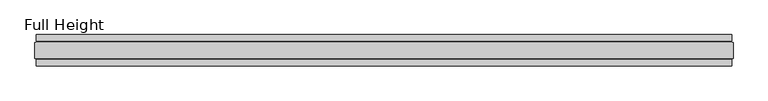
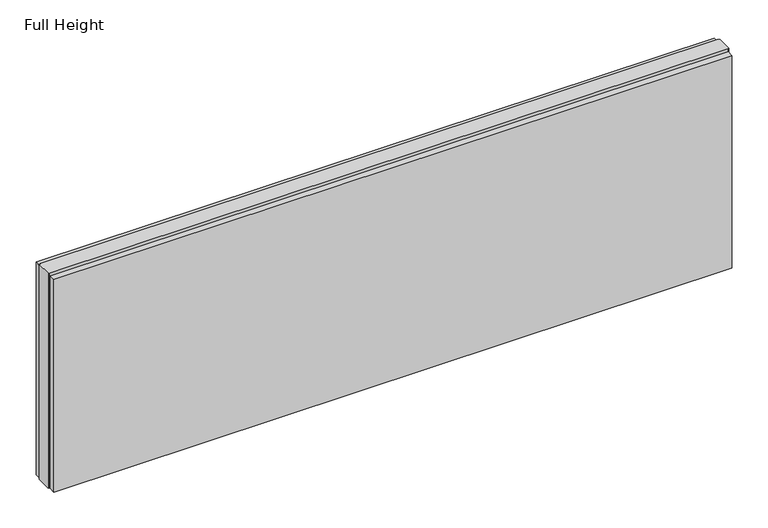
"""IFC4 building model written with IfcOpenShell, lengths in millimetres: plate geometry, Full Height."""

from ifc_helpers import new_model, si_unit, origin, origin_with_axes, place, context, project, spatial, polyline, outline, extrude, source, transform, mapped, element, save


def full_height_c5e944f3(model_context):
    return source(origin(), model_context, "Body", "SweptSolid", [
        extrude(outline(polyline([(1100.328, 28.956), (-1100.328, 28.956), (-1100.328, 49.53), (1100.328, 49.53), (1100.328, 28.956)])), origin_with_axes(), (0.0, 0.0, 1.0), 729.996),
        extrude(outline(polyline([(1100.328, -28.956), (1100.328, -49.53), (-1100.328, -49.53), (-1100.328, -28.956), (1100.328, -28.956)])), origin_with_axes(), (0.0, 0.0, 1.0), 729.996),
        extrude(outline(polyline([(1100.328, -25.146), (1100.328, -26.67), (-1100.328, -26.67), (-1100.328, -25.146), (-1104.9, -25.146), (-1104.9, 25.146), (-1100.328, 25.146), (-1100.328, 26.67), (1100.328, 26.67), (1100.328, 25.146), (1104.9, 25.146), (1104.9, -25.146), (1100.328, -25.146)])), origin_with_axes(), (0.0, 0.0, 1.0), 739.14),
    ])


if __name__ == "__main__":
    model = new_model("IFC4")
    model_context = context("Model", 3, world=origin())
    ifc_project = project(units=[si_unit("LENGTHUNIT", "METRE", prefix="MILLI")], contexts=[model_context])
    site = spatial("IfcSite", under=ifc_project)
    building = spatial("IfcBuilding", under=site)
    placement = place(None, origin())
    full_height_shape = full_height_c5e944f3(model_context)
    element("IfcPlate", 1, ObjectType="Full Height", at=placement, inside=building, context=model_context, shape_type="MappedRepresentation", body=[
        mapped(full_height_shape, transform((0.0, 0.0, 0.0), x_axis=(1.0, 0.0, 0.0), y_axis=(0.0, 1.0, 0.0), z_axis=(0.0, 0.0, 1.0))),
    ])
    save(model, "model.ifc")
